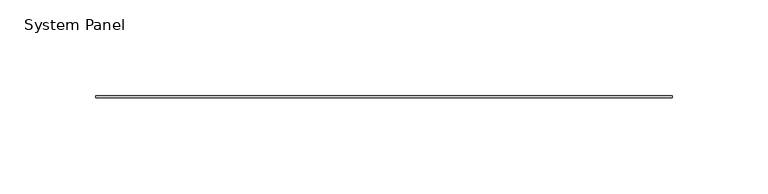
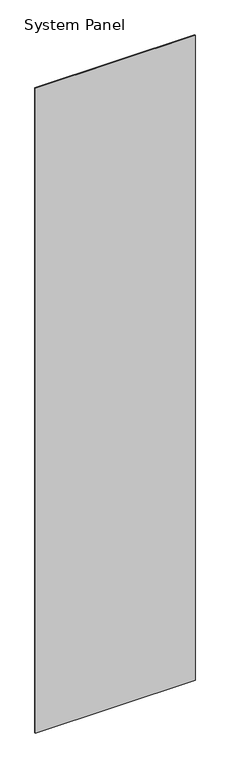
"""IFC4 building model written with IfcOpenShell, lengths in millimetres: plate geometry, System Panel."""

from ifc_helpers import new_model, si_unit, origin, origin_with_axes, place, context, project, spatial, polyline, outline, extrude, source, transform, mapped, element, save


def system_panel_759de580(model_context):
    return source(origin(), model_context, "Body", "SweptSolid", [
        extrude(outline(polyline([(150.7490002, -0.4960937), (-150.7490002, -0.4960937), (-150.7490002, 0.4960938), (150.7490002, 0.4960938), (150.7490002, -0.4960937)])), origin_with_axes(), (0.0, 0.0, 1.0), 1285.875),
    ])


if __name__ == "__main__":
    model = new_model("IFC4")
    model_context = context("Model", 3, world=origin())
    ifc_project = project(units=[si_unit("LENGTHUNIT", "METRE", prefix="MILLI")], contexts=[model_context])
    site = spatial("IfcSite", under=ifc_project)
    building = spatial("IfcBuilding", under=site)
    placement = place(None, origin())
    system_panel_shape = system_panel_759de580(model_context)
    element("IfcPlate", 1, ObjectType="System Panel", at=placement, inside=building, context=model_context, shape_type="MappedRepresentation", body=[
        mapped(system_panel_shape, transform((0.0, 0.0, 0.0), x_axis=(1.0, 0.0, 0.0), y_axis=(0.0, 1.0, 0.0), z_axis=(0.0, 0.0, 1.0))),
    ])
    save(model, "model.ifc")
